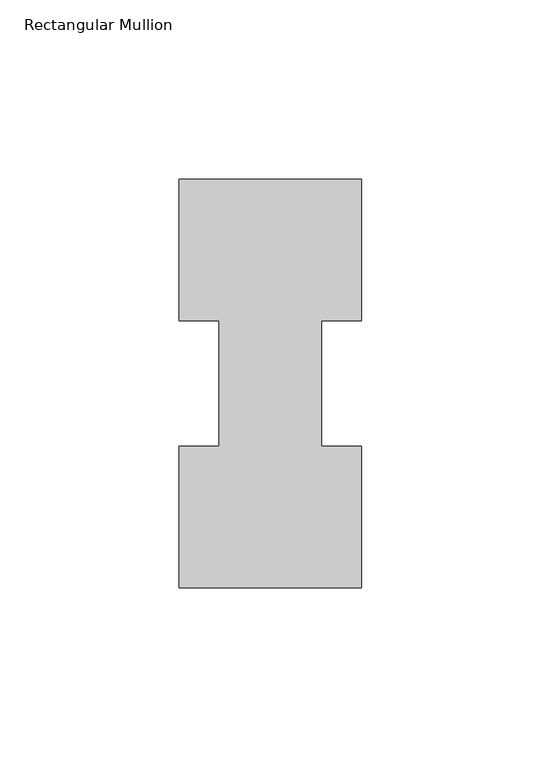
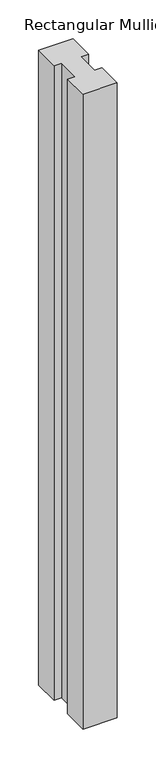
"""IFC4 building model written with IfcOpenShell, lengths in millimetres: member geometry, Rectangular Mullion."""

from ifc_helpers import new_model, si_unit, frame, origin, place, context, project, spatial, polyline, outline, extrude, source, transform, mapped, element, save


def rectangular_mullion_a6804ec9(model_context):
    return source(origin(), model_context, "Body", "SweptSolid", [
        extrude(outline(polyline([(-50.8, 114.017425), (0.0, 114.017425), (0.0, 74.596625), (-11.0998, 74.596625), (-11.0998, 39.646225), (0.0, 39.646225), (0.0, 0.225425), (-50.8, 0.225425), (-50.8, 39.646225), (-39.6875, 39.646225), (-39.6875, 74.596625), (-50.8, 74.596625), (-50.8, 114.017425)])), frame((0.0, 0.0, -995.333925), z_axis=(0.0, 0.0, 1.0), x_axis=(1.0, 0.0, 0.0)), (0.0, 0.0, 1.0), 995.333925),
    ])


if __name__ == "__main__":
    model = new_model("IFC4")
    model_context = context("Model", 3, world=origin())
    ifc_project = project(units=[si_unit("LENGTHUNIT", "METRE", prefix="MILLI")], contexts=[model_context])
    site = spatial("IfcSite", under=ifc_project)
    building = spatial("IfcBuilding", under=site)
    placement = place(None, origin())
    rectangular_mullion_shape = rectangular_mullion_a6804ec9(model_context)
    element("IfcMember", 1, ObjectType="Rectangular Mullion", at=placement, inside=building, context=model_context, shape_type="MappedRepresentation", body=[
        mapped(rectangular_mullion_shape, transform((0.0, 0.0, 0.0), x_axis=(1.0, 0.0, 0.0), y_axis=(0.0, 1.0, 0.0), z_axis=(0.0, 0.0, 1.0))),
    ])
    save(model, "model.ifc")
